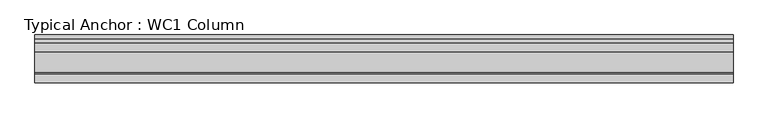
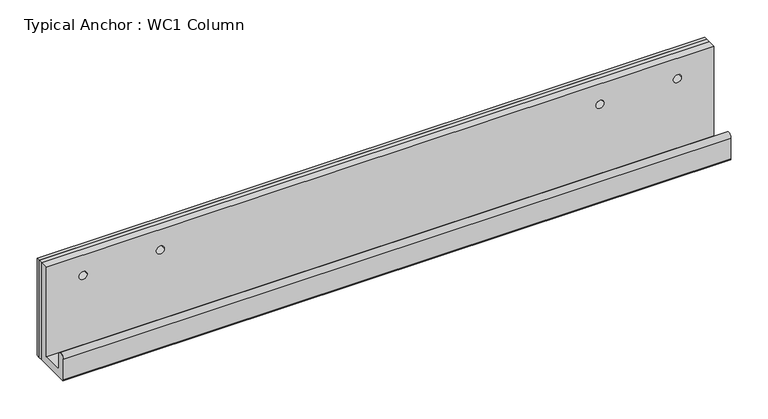
"""IFC4 building model written with IfcOpenShell, lengths in millimetres: fastener geometry, Typical Anchor : WC1 Column."""

from ifc_helpers import new_model, si_unit, frame, origin, origin_with_axes, place, context, project, spatial, polyline, circle_curve, outline, extrude, source, transform, mapped, element, save
from ifc_brep_helpers import plane_surface, cylinder_surface, revolved_surface, advanced_brep


def typical_anchor_wc1_column_59db0cbf(model_context):
    return source(origin(), model_context, "Body", "SolidModel", [
        advanced_brep(
        [(-469.9, -12.7, 127.0), (-469.9, -25.4, 127.0), (-457.2, -25.4, 127.0), (-457.2, -12.7, 127.0), (520.7, -12.7, 160.3375), (520.7, -25.4, 160.3375), (520.7, -25.4, 12.7), (520.7, -55.5625, 12.7), (520.7, -58.7375, 15.875), (520.7, -58.7375, 36.5125), (520.7, -71.4375, 36.5125), (520.7, -71.4375, 3.175), (520.7, -68.2625, 0.0), (520.7, -12.7, 0.0), (-520.7, -12.7, 160.3375), (-520.7, -12.7, 0.0), (-520.7, -68.2625, 0.0), (-520.7, -71.4375, 3.175), (-520.7, -71.4375, 36.5125), (-520.7, -58.7375, 36.5125), (-520.7, -58.7375, 15.875), (-520.7, -55.5625, 12.7), (-520.7, -25.4, 12.7), (-520.7, -25.4, 160.3375), (457.2, -12.7, 127.0), (457.2, -25.4, 127.0), (469.9, -25.4, 127.0), (469.9, -12.7, 127.0), (-336.55, -25.4, 127.0), (-349.25, -25.4, 127.0), (349.25, -25.4, 127.0), (336.55, -25.4, 127.0), (-349.25, -12.7, 127.0), (-336.55, -12.7, 127.0), (336.55, -12.7, 127.0), (349.25, -12.7, 127.0)],
        [
            (0, 1),
            (1, 2, circle_curve(frame((-463.55, -25.4, 127.0), z_axis=(0.0, -1.0, 0.0), x_axis=(1.0, 0.0, 0.0)), 6.35)),
            (2, 3),
            (3, 0, circle_curve(frame((-463.55, -12.7, 127.0), z_axis=(0.0, 1.0, 0.0), x_axis=(1.0, 0.0, 0.0)), 6.35)),
            (0, 3, circle_curve(frame((-463.55, -12.7, 127.0), z_axis=(0.0, 1.0, 0.0), x_axis=(1.0, 0.0, 0.0)), 6.35)),
            (2, 1, circle_curve(frame((-463.55, -25.4, 127.0), z_axis=(0.0, -1.0, 0.0), x_axis=(1.0, 0.0, 0.0)), 6.35)),
            (4, 5),
            (5, 6),
            (6, 7),
            (7, 8, circle_curve(frame((520.7, -55.5625, 15.875), z_axis=(-1.0, 0.0, 0.0), x_axis=(0.0, -1.0, 0.0)), 3.175)),
            (8, 9),
            (9, 10, circle_curve(frame((520.7, -65.0875, 36.5125), z_axis=(1.0, 0.0, 0.0), x_axis=(0.0, -1.0, 0.0)), 6.35)),
            (10, 11),
            (11, 12, circle_curve(frame((520.7, -68.2625, 3.175), z_axis=(1.0, 0.0, 0.0), x_axis=(0.0, -1.0, 0.0)), 3.175)),
            (12, 13),
            (13, 4),
            (14, 15),
            (15, 16),
            (16, 17, circle_curve(frame((-520.7, -68.2625, 3.175), z_axis=(-1.0, 0.0, 0.0), x_axis=(0.0, -1.0, 0.0)), 3.175)),
            (17, 18),
            (18, 19, circle_curve(frame((-520.7, -65.0875, 36.5125), z_axis=(-1.0, 0.0, 0.0), x_axis=(0.0, -1.0, 0.0)), 6.35)),
            (19, 20),
            (20, 21, circle_curve(frame((-520.7, -55.5625, 15.875), z_axis=(1.0, 0.0, 0.0), x_axis=(0.0, -1.0, 0.0)), 3.175)),
            (21, 22),
            (22, 23),
            (23, 14),
            (4, 14),
            (23, 5),
            (24, 25),
            (25, 26, circle_curve(frame((463.55, -25.4, 127.0), z_axis=(0.0, -1.0, 0.0), x_axis=(-1.0, 0.0, 0.0)), 6.35)),
            (26, 27),
            (27, 24, circle_curve(frame((463.55, -12.7, 127.0), z_axis=(0.0, 1.0, 0.0), x_axis=(-1.0, 0.0, 0.0)), 6.35)),
            (24, 27, circle_curve(frame((463.55, -12.7, 127.0), z_axis=(0.0, 1.0, 0.0), x_axis=(-1.0, 0.0, 0.0)), 6.35)),
            (26, 25, circle_curve(frame((463.55, -25.4, 127.0), z_axis=(0.0, -1.0, 0.0), x_axis=(-1.0, 0.0, 0.0)), 6.35)),
            (22, 6),
            (28, 29, circle_curve(frame((-342.9, -25.4, 127.0), z_axis=(0.0, 1.0, 0.0), x_axis=(1.0, 0.0, 0.0)), 6.35)),
            (29, 28, circle_curve(frame((-342.9, -25.4, 127.0), z_axis=(0.0, 1.0, 0.0), x_axis=(1.0, 0.0, 0.0)), 6.35)),
            (30, 31, circle_curve(frame((342.9, -25.4, 127.0), z_axis=(0.0, 1.0, 0.0), x_axis=(-1.0, 0.0, 0.0)), 6.35)),
            (31, 30, circle_curve(frame((342.9, -25.4, 127.0), z_axis=(0.0, 1.0, 0.0), x_axis=(-1.0, 0.0, 0.0)), 6.35)),
            (21, 7),
            (20, 8),
            (19, 9),
            (18, 10),
            (17, 11),
            (16, 12),
            (15, 13),
            (32, 33, circle_curve(frame((-342.9, -12.7, 127.0), z_axis=(0.0, -1.0, 0.0), x_axis=(1.0, 0.0, 0.0)), 6.35)),
            (33, 32, circle_curve(frame((-342.9, -12.7, 127.0), z_axis=(0.0, -1.0, 0.0), x_axis=(1.0, 0.0, 0.0)), 6.35)),
            (34, 35, circle_curve(frame((342.9, -12.7, 127.0), z_axis=(0.0, -1.0, 0.0), x_axis=(-1.0, 0.0, 0.0)), 6.35)),
            (35, 34, circle_curve(frame((342.9, -12.7, 127.0), z_axis=(0.0, -1.0, 0.0), x_axis=(-1.0, 0.0, 0.0)), 6.35)),
            (32, 29),
            (28, 33),
            (34, 31),
            (30, 35),
        ],
        [
            revolved_surface(polyline([(-457.2, -25.400000000000006, 127.0), (-457.2, -12.699999999999989, 127.0)]), (-463.55, 176.9675317, 127.0), (0.0, -1.0, 0.0)),
            plane_surface(frame((520.7, -25.4, 160.3375), z_axis=(1.0, 0.0, 0.0), x_axis=(0.0, -1.0, 0.0))),
            plane_surface(frame((-520.7, -25.4, 160.3375), z_axis=(-1.0, 0.0, 0.0), x_axis=(0.0, 1.0, 0.0))),
            plane_surface(frame((520.7, -12.7, 160.3375), z_axis=(0.0, 0.0, 1.0), x_axis=(-1.0, 0.0, 0.0))),
            revolved_surface(polyline([(457.2, -25.400000000000006, 127.0), (457.2, -12.699999999999989, 127.0)]), (463.55, 176.9675317, 127.0), (0.0, -1.0, 0.0)),
            plane_surface(frame((520.7, -25.4, 160.3375), z_axis=(0.0, -1.0, 0.0), x_axis=(-1.0, 0.0, 0.0))),
            plane_surface(frame((520.7, -25.4, 12.7), z_axis=(0.0, 0.0, 1.0), x_axis=(-1.0, 0.0, 0.0))),
            revolved_surface(polyline([(-520.7, -58.7375, 15.875), (520.7, -58.7375, 15.875)]), (-520.7, -55.5625, 15.875), (-1.0, 0.0, 0.0)),
            plane_surface(frame((520.7, -58.7375, 15.875), z_axis=(0.0, 1.0, 0.0), x_axis=(-1.0, 0.0, 0.0))),
            cylinder_surface(frame((-520.7, -65.0875, 36.5125), z_axis=(1.0, 0.0, 0.0), x_axis=(0.0, -1.0, 0.0)), 6.35),
            plane_surface(frame((520.7, -71.4375, 36.5125), z_axis=(0.0, -1.0, 0.0), x_axis=(-1.0, 0.0, 0.0))),
            cylinder_surface(frame((-520.7, -68.2625, 3.175), z_axis=(1.0, 0.0, 0.0), x_axis=(0.0, -1.0, 0.0)), 3.175),
            plane_surface(frame((520.7, -68.2625, 0.0), z_axis=(0.0, 0.0, -1.0), x_axis=(-1.0, 0.0, 0.0))),
            plane_surface(frame((520.7, -12.7, 0.0), z_axis=(0.0, 1.0, 0.0), x_axis=(-1.0, 0.0, 0.0))),
            revolved_surface(polyline([(-336.54999999999995, -25.400000000000006, 127.0), (-336.54999999999995, -12.699999999999989, 127.0)]), (-342.9, 176.9675317, 127.0), (0.0, -1.0, 0.0)),
            revolved_surface(polyline([(336.54999999999995, -25.400000000000006, 127.0), (336.54999999999995, -12.699999999999989, 127.0)]), (342.9, 176.9675317, 127.0), (0.0, -1.0, 0.0)),
        ],
        [
            (0, [[1, 2, 3, 4]]),
            (0, [[-1, 5, -3, 6]]),
            (1, [[7, 8, 9, 10, 11, 12, 13, 14, 15, 16]]),
            (2, [[17, 18, 19, 20, 21, 22, 23, 24, 25, 26]]),
            (3, [[-7, 27, -26, 28]]),
            (4, [[29, 30, 31, 32]]),
            (4, [[-29, 33, -31, 34]]),
            (5, [[-8, -28, -25, 35], [-2, -6], [-30, -34], [36, 37], [38, 39]]),
            (6, [[-9, -35, -24, 40]]),
            (7, [[-10, -40, -23, 41]]),
            (8, [[-11, -41, -22, 42]]),
            (9, [[-12, -42, -21, 43]]),
            (10, [[-13, -43, -20, 44]]),
            (11, [[-14, -44, -19, 45]]),
            (12, [[-15, -45, -18, 46]]),
            (13, [[-16, -46, -17, -27], [-4, -5], [-32, -33], [47, 48], [49, 50]]),
            (14, [[51, -36, 52, -47]]),
            (14, [[-51, -48, -52, -37]]),
            (15, [[53, -38, 54, -49]]),
            (15, [[-53, -50, -54, -39]]),
        ],
    ),
        extrude(outline(polyline([(520.7, -6.35), (520.7, -12.7), (-520.7, -12.7), (-520.7, -6.35), (520.7, -6.35)])), origin_with_axes(), (0.0, 0.0, 1.0), 160.3375),
        extrude(outline(polyline([(520.7, 0.0), (520.7, -6.35), (-520.7, -6.35), (-520.7, 0.0), (520.7, 0.0)])), origin_with_axes(), (0.0, 0.0, 1.0), 160.3375),
    ])


if __name__ == "__main__":
    model = new_model("IFC4")
    model_context = context("Model", 3, world=origin())
    ifc_project = project(units=[si_unit("LENGTHUNIT", "METRE", prefix="MILLI")], contexts=[model_context])
    site = spatial("IfcSite", under=ifc_project)
    building = spatial("IfcBuilding", under=site)
    placement = place(None, origin())
    typical_anchor_wc1_column_shape = typical_anchor_wc1_column_59db0cbf(model_context)
    element("IfcFastener", 1, ObjectType="Typical Anchor : WC1 Column", at=placement, inside=building, context=model_context, shape_type="MappedRepresentation", body=[
        mapped(typical_anchor_wc1_column_shape, transform((0.0, 0.0, 0.0), x_axis=(1.0, 0.0, 0.0), y_axis=(0.0, 1.0, 0.0), z_axis=(0.0, 0.0, 1.0))),
    ])
    save(model, "model.ifc")
